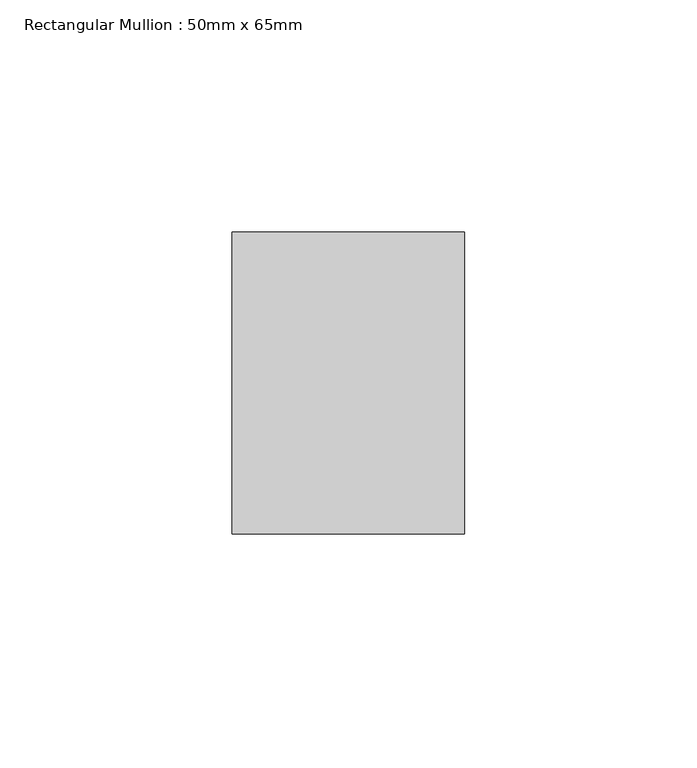
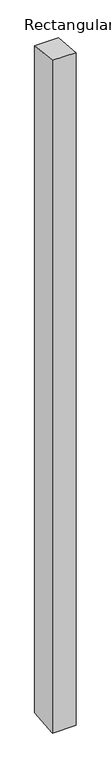
"""IFC4 building model written with IfcOpenShell, lengths in millimetres: member geometry, Rectangular Mullion : 50mm x 65mm."""

from ifc_helpers import new_model, si_unit, origin, place, context, project, spatial, faceted_brep, source, transform, mapped, element, save


def rectangular_mullion_50mm_x_65mm_1f17b572(model_context):
    return source(origin(), model_context, "Body", "Brep", [
        faceted_brep([(-25.0, 32.5, -3.3716822), (25.0, 32.5, -3.3716841), (25.0, 32.5, -1496.8525378), (-25.0, 32.5, -1496.8525396), (-25.0, -32.5, 3.3716841), (-25.0, -32.5, -1503.146415), (25.0, -32.5, 3.3716822), (25.0, -32.5, -1503.1464132)], [[[0, 1, 2, 3]], [[4, 0, 3, 5]], [[6, 4, 5, 7]], [[1, 6, 7, 2]], [[1, 0, 4, 6]], [[2, 7, 5, 3]]]),
    ])


if __name__ == "__main__":
    model = new_model("IFC4")
    model_context = context("Model", 3, world=origin())
    ifc_project = project(units=[si_unit("LENGTHUNIT", "METRE", prefix="MILLI")], contexts=[model_context])
    site = spatial("IfcSite", under=ifc_project)
    building = spatial("IfcBuilding", under=site)
    placement = place(None, origin())
    rectangular_mullion_50mm_x_65mm_shape = rectangular_mullion_50mm_x_65mm_1f17b572(model_context)
    element("IfcMember", 1, ObjectType="Rectangular Mullion : 50mm x 65mm", at=placement, inside=building, context=model_context, shape_type="MappedRepresentation", body=[
        mapped(rectangular_mullion_50mm_x_65mm_shape, transform((0.0, 0.0, 0.0), x_axis=(1.0, 0.0, 0.0), y_axis=(0.0, 1.0, 0.0), z_axis=(0.0, 0.0, 1.0))),
    ])
    save(model, "model.ifc")
